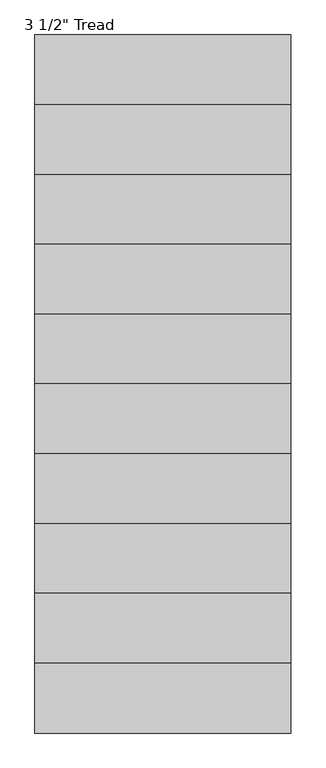
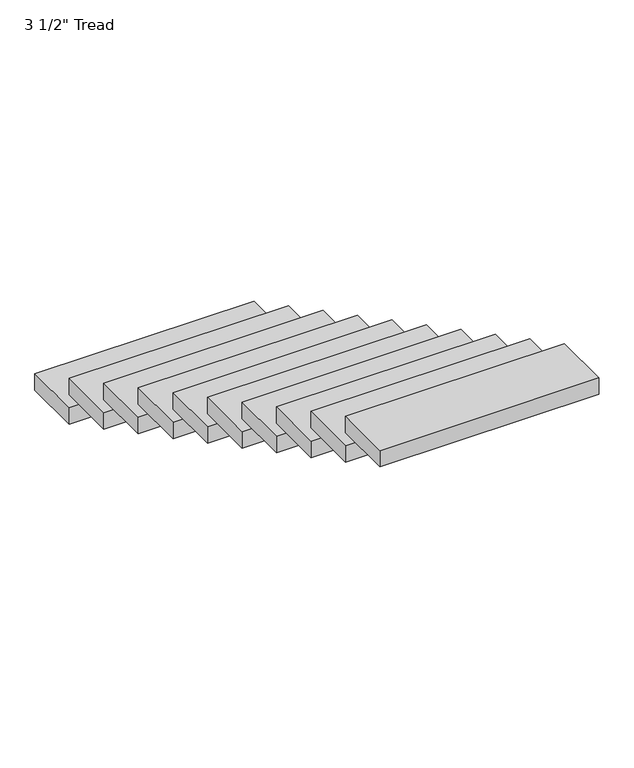
"""IFC4 building model written with IfcOpenShell, lengths in millimetres: stair flight geometry."""

from ifc_helpers import new_model, si_unit, frame, origin, place, context, project, spatial, polyline, outline, extrude, source, transform, mapped, element, save


def stair_flight_7b0502c6(model_context):
    return source(origin(), model_context, "Body", "SweptSolid", [
        extrude(outline(polyline([(1703.5538022, 9529.7549013), (585.9538022, 9529.7549013), (585.9538022, 9834.5549013), (1703.5538022, 9834.5549013), (1703.5538022, 9529.7549013)])), frame((0.0, 0.0, 70.4272727), z_axis=(0.0, 0.0, 1.0), x_axis=(1.0, 0.0, 0.0)), (0.0, 0.0, 1.0), 88.9),
        extrude(outline(polyline([(1703.5538022, 9224.9549013), (585.9538022, 9224.9549013), (585.9538022, 9529.7549013), (1703.5538022, 9529.7549013), (1703.5538022, 9224.9549013)])), frame((0.0, 0.0, 229.7545455), z_axis=(0.0, 0.0, 1.0), x_axis=(1.0, 0.0, 0.0)), (0.0, 0.0, 1.0), 88.9),
        extrude(outline(polyline([(1703.5538022, 8920.1549013), (585.9538022, 8920.1549013), (585.9538022, 9224.9549013), (1703.5538022, 9224.9549013), (1703.5538022, 8920.1549013)])), frame((0.0, 0.0, 389.0818182), z_axis=(0.0, 0.0, 1.0), x_axis=(1.0, 0.0, 0.0)), (0.0, 0.0, 1.0), 88.9),
        extrude(outline(polyline([(1703.5538022, 8615.3549013), (585.9538022, 8615.3549013), (585.9538022, 8920.1549013), (1703.5538022, 8920.1549013), (1703.5538022, 8615.3549013)])), frame((0.0, 0.0, 548.4090909), z_axis=(0.0, 0.0, 1.0), x_axis=(1.0, 0.0, 0.0)), (0.0, 0.0, 1.0), 88.9),
        extrude(outline(polyline([(1703.5538022, 8310.5549013), (585.9538022, 8310.5549013), (585.9538022, 8615.3549013), (1703.5538022, 8615.3549013), (1703.5538022, 8310.5549013)])), frame((0.0, 0.0, 707.7363636), z_axis=(0.0, 0.0, 1.0), x_axis=(1.0, 0.0, 0.0)), (0.0, 0.0, 1.0), 88.9),
        extrude(outline(polyline([(1703.5538022, 8005.7549013), (585.9538022, 8005.7549013), (585.9538022, 8310.5549013), (1703.5538022, 8310.5549013), (1703.5538022, 8005.7549013)])), frame((0.0, 0.0, 867.0636364), z_axis=(0.0, 0.0, 1.0), x_axis=(1.0, 0.0, 0.0)), (0.0, 0.0, 1.0), 88.9),
        extrude(outline(polyline([(1703.5538022, 7700.9549013), (585.9538022, 7700.9549013), (585.9538022, 8005.7549013), (1703.5538022, 8005.7549013), (1703.5538022, 7700.9549013)])), frame((0.0, 0.0, 1026.3909091), z_axis=(0.0, 0.0, 1.0), x_axis=(1.0, 0.0, 0.0)), (0.0, 0.0, 1.0), 88.9),
        extrude(outline(polyline([(1703.5538022, 7396.1549013), (585.9538022, 7396.1549013), (585.9538022, 7700.9549013), (1703.5538022, 7700.9549013), (1703.5538022, 7396.1549013)])), frame((0.0, 0.0, 1185.7181818), z_axis=(0.0, 0.0, 1.0), x_axis=(1.0, 0.0, 0.0)), (0.0, 0.0, 1.0), 88.9),
        extrude(outline(polyline([(1703.5538022, 7091.3549013), (585.9538022, 7091.3549013), (585.9538022, 7396.1549013), (1703.5538022, 7396.1549013), (1703.5538022, 7091.3549013)])), frame((0.0, 0.0, 1345.0454545), z_axis=(0.0, 0.0, 1.0), x_axis=(1.0, 0.0, 0.0)), (0.0, 0.0, 1.0), 88.9),
        extrude(outline(polyline([(1703.5538022, 6786.5549013), (585.9538022, 6786.5549013), (585.9538022, 7091.3549013), (1703.5538022, 7091.3549013), (1703.5538022, 6786.5549013)])), frame((0.0, 0.0, 1504.3727273), z_axis=(0.0, 0.0, 1.0), x_axis=(1.0, 0.0, 0.0)), (0.0, 0.0, 1.0), 88.9),
    ])


if __name__ == "__main__":
    model = new_model("IFC4")
    model_context = context("Model", 3, world=origin())
    ifc_project = project(units=[si_unit("LENGTHUNIT", "METRE", prefix="MILLI")], contexts=[model_context])
    site = spatial("IfcSite", under=ifc_project)
    building = spatial("IfcBuilding", under=site)
    placement = place(None, origin())
    stair_flight_shape = stair_flight_7b0502c6(model_context)
    element("IfcStairFlight", 1, ObjectType="3 1/2\" Tread", at=placement, inside=building, context=model_context, shape_type="MappedRepresentation", body=[
        mapped(stair_flight_shape, transform((0.0, 0.0, 0.0), x_axis=(1.0, 0.0, 0.0), y_axis=(0.0, 1.0, 0.0), z_axis=(0.0, 0.0, 1.0))),
    ])
    save(model, "model.ifc")
